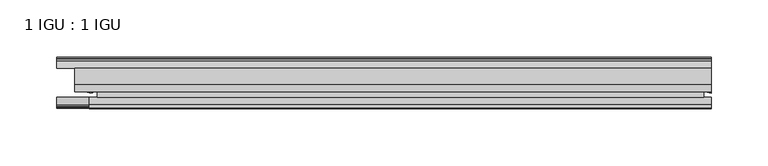
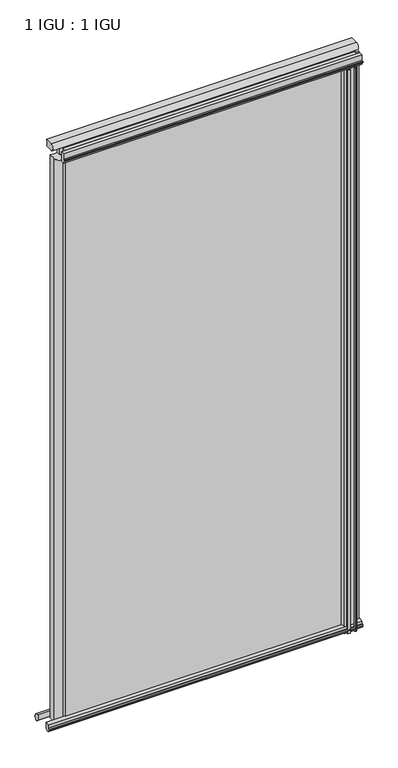
"""IFC4 building model written with IfcOpenShell, lengths in millimetres: plate geometry, 1 IGU : 1 IGU."""

import ifcopenshell
import ifcopenshell.guid

model = None  # the IFC model being written
_history = None  # IfcOwnerHistory: only IFC2X3 demands one
_inside = {}  # id of a spatial element -> (the spatial element, [elements in it])
_under = {}  # id of a project, library or spatial element -> (it, [spatial elements below it])
_declared = {}  # id of a project -> (the project, [libraries it declares])
_typed = {}  # id of a type object -> (the type object, [elements of that type])
_made_of = {}  # id of a material, layer set ... -> (it, [elements and type objects made of it])


def new_model(schema):
    """Start an empty IFC model of exactly this schema.

    Asked for "IFC4X3", IfcOpenShell would pick the latest addendum, in which some entities
    have other attributes; the version numbers below select the first issue.
    IFC2X3 requires an IfcOwnerHistory on every rooted entity: one is made here for all.
    """
    global model, _history
    if schema == "IFC4X3":
        model = ifcopenshell.file(schema_version=(4, 3, 0, 0))
    else:
        model = ifcopenshell.file(schema=schema)
    _inside.clear()
    _under.clear()
    _declared.clear()
    _typed.clear()
    _made_of.clear()
    _history = None
    if model.schema == "IFC2X3":
        org = make("IfcOrganization", Name="unknown")
        user = make(
            "IfcPersonAndOrganization",
            ThePerson=make("IfcPerson", FamilyName="unknown"),
            TheOrganization=org,
        )
        app = make(
            "IfcApplication",
            ApplicationDeveloper=org,
            Version="unknown",
            ApplicationFullName="unknown",
            ApplicationIdentifier="unknown",
        )
        _history = make(
            "IfcOwnerHistory",
            OwningUser=user,
            OwningApplication=app,
            ChangeAction="ADDED",
            CreationDate=0,
        )
    return model


def make(cls, **values):
    """One entity of the class cls with the attributes given. An attribute that is None is left unset."""
    return model.create_entity(
        cls, **{name: value for name, value in values.items() if value is not None}
    )


def rooted(cls, **values):
    """An entity with a GlobalId (a new one), such as an element, a storey or a relation."""
    return make(cls, GlobalId=ifcopenshell.guid.new(), OwnerHistory=_history, **values)


def si_unit(unit_type, name, prefix=None):
    """IfcSIUnit, for example si_unit("LENGTHUNIT", "METRE", prefix="MILLI")."""
    return make("IfcSIUnit", UnitType=unit_type, Prefix=prefix, Name=name)


def assignment(units):
    """IfcUnitAssignment: the units of a project."""
    return None if units is None else make("IfcUnitAssignment", Units=units)


def point(xyz):
    """IfcCartesianPoint."""
    return None if xyz is None else make("IfcCartesianPoint", Coordinates=xyz)


def direction(xyz):
    """IfcDirection."""
    return None if xyz is None else make("IfcDirection", DirectionRatios=xyz)


def frame(location, z_axis=None, x_axis=None):
    """IfcAxis2Placement3D, a coordinate frame: its origin and axes. An axis left out is left unset."""
    return make(
        "IfcAxis2Placement3D",
        Location=point(location),
        Axis=direction(z_axis),
        RefDirection=direction(x_axis),
    )


def frame_2d(location, x_axis=None):
    """IfcAxis2Placement2D, a coordinate frame in the plane: its origin and x axis."""
    return make(
        "IfcAxis2Placement2D", Location=point(location), RefDirection=direction(x_axis)
    )


def origin():
    """The frame at (0, 0, 0) with its axes left unset."""
    return frame((0.0, 0.0, 0.0))


def place(relative_to, where):
    """IfcLocalPlacement: puts the frame where relative to a parent placement (None: the world)."""
    return make(
        "IfcLocalPlacement", PlacementRelTo=relative_to, RelativePlacement=where
    )


def context(
    kind, dimensions, precision=None, world=None, true_north=None, identifier=None
):
    """IfcGeometricRepresentationContext, for example the 3D "Model" context."""
    return make(
        "IfcGeometricRepresentationContext",
        ContextIdentifier=identifier,
        ContextType=kind,
        CoordinateSpaceDimension=dimensions,
        Precision=precision,
        WorldCoordinateSystem=world,
        TrueNorth=true_north,
    )


def project(units=None, contexts=None):
    """IfcProject with its units and contexts."""
    return rooted(
        "IfcProject",
        Name="project",
        RepresentationContexts=contexts,
        UnitsInContext=assignment(units),
    )


def spatial(cls, under=None, at=None, **own):
    """A site, building, storey or space (cls), placed at a placement, below another one or the project."""
    s = rooted(cls, ObjectPlacement=at, **own)
    if under is not None:
        _under.setdefault(under.id(), (under, []))[1].append(s)
    return s


def polyline(points):
    """IfcPolyline through the points."""
    return make("IfcPolyline", Points=[point(p) for p in points])


def circle_curve(where, radius):
    """IfcCircle in the frame where."""
    return make("IfcCircle", Position=where, Radius=radius)


def ellipse_curve(where, semi_axis1, semi_axis2):
    """IfcEllipse in the frame where."""
    return make(
        "IfcEllipse", Position=where, SemiAxis1=semi_axis1, SemiAxis2=semi_axis2
    )


def trimmed(basis, trim1, trim2, sense, master):
    """IfcTrimmedCurve: the piece of a basis curve between two trims."""
    return make(
        "IfcTrimmedCurve",
        BasisCurve=basis,
        Trim1=trim1,
        Trim2=trim2,
        SenseAgreement=sense,
        MasterRepresentation=master,
    )


def segment(curve, same_sense, transition):
    """IfcCompositeCurveSegment."""
    return make(
        "IfcCompositeCurveSegment",
        Transition=transition,
        SameSense=same_sense,
        ParentCurve=curve,
    )


def composite_curve(segments, self_intersect=None):
    """IfcCompositeCurve: segments joined end to end."""
    return make("IfcCompositeCurve", Segments=segments, SelfIntersect=self_intersect)


def outline(outer, holes=None, kind="AREA"):
    """IfcArbitraryClosedProfileDef: a profile drawn as a closed curve; with holes, ...WithVoids."""
    if holes is None:
        return make("IfcArbitraryClosedProfileDef", ProfileType=kind, OuterCurve=outer)
    return make(
        "IfcArbitraryProfileDefWithVoids",
        ProfileType=kind,
        OuterCurve=outer,
        InnerCurves=holes,
    )


def extrude(swept, where, along, depth):
    """IfcExtrudedAreaSolid: the profile swept, set in the frame where, extruded along a direction by depth."""
    return make(
        "IfcExtrudedAreaSolid",
        SweptArea=swept,
        Position=where,
        ExtrudedDirection=direction(along),
        Depth=depth,
    )


def shape(context_of_items, identifier, shape_type, items):
    """IfcShapeRepresentation: the items that make up one representation, for example the "Body"."""
    return make(
        "IfcShapeRepresentation",
        ContextOfItems=context_of_items,
        RepresentationIdentifier=identifier,
        RepresentationType=shape_type,
        Items=items,
    )


def source(mapping_origin, context_of_items, identifier, shape_type, items):
    """IfcRepresentationMap: a shape defined once, which mapped items show again and again."""
    return make(
        "IfcRepresentationMap",
        MappingOrigin=mapping_origin,
        MappedRepresentation=shape(context_of_items, identifier, shape_type, items),
    )


def transform(
    local_origin,
    x_axis=None,
    y_axis=None,
    z_axis=None,
    scale=None,
    scale2=None,
    scale3=None,
    uniform=True,
):
    """IfcCartesianTransformationOperator3D, or its non-uniform kind. x_axis, y_axis, z_axis: its Axis1, 2, 3."""
    if uniform:
        return make(
            "IfcCartesianTransformationOperator3D",
            Axis1=direction(x_axis),
            Axis2=direction(y_axis),
            LocalOrigin=point(local_origin),
            Scale=scale,
            Axis3=direction(z_axis),
        )
    return make(
        "IfcCartesianTransformationOperator3DnonUniform",
        Axis1=direction(x_axis),
        Axis2=direction(y_axis),
        LocalOrigin=point(local_origin),
        Scale=scale,
        Axis3=direction(z_axis),
        Scale2=scale2,
        Scale3=scale3,
    )


def mapped(mapping_source, mapping_target):
    """IfcMappedItem: shows the shape of a source again, moved by a transform."""
    return make(
        "IfcMappedItem", MappingSource=mapping_source, MappingTarget=mapping_target
    )


def made_of(thing, what):
    """Note that an element or type object is made of a material, layer set ...; save() writes the relation."""
    if what is not None:
        _made_of.setdefault(what.id(), (what, []))[1].append(thing)
    return thing


def element(
    cls,
    number,
    at=None,
    inside=None,
    cuts=None,
    type_object=None,
    material=None,
    context=None,
    identifier="Body",
    shape_type=None,
    held_by="IfcProductDefinitionShape",
    body=None,
    shapes=None,
    **own,
):
    """One element of the class cls, such as IfcWall. Its Tag is "e" and its number.

    at: its placement. inside: the storey or other place that contains it. cuts: it is an
    opening in that element (IfcRelVoidsElement). A single representation is given by context,
    identifier, shape_type and body (its items); several are given by shapes. held_by: the class
    of the entity that holds the representations. save() writes the other relations.
    """
    e = rooted(cls, Tag="e%d" % number, ObjectPlacement=at, **own)
    if body is not None:
        shapes = [shape(context, identifier, shape_type, body)]
    if shapes is not None:
        e.Representation = make(held_by, Representations=shapes)
    if inside is not None:
        _inside.setdefault(inside.id(), (inside, []))[1].append(e)
    if cuts is not None:
        rooted(
            "IfcRelVoidsElement", RelatingBuildingElement=cuts, RelatedOpeningElement=e
        )
    if type_object is not None:
        _typed.setdefault(type_object.id(), (type_object, []))[1].append(e)
    return made_of(e, material)


def aggregate(whole, parts):
    """IfcRelAggregates: a whole, such as a stair, and the parts it consists of."""
    return rooted("IfcRelAggregates", RelatingObject=whole, RelatedObjects=parts)


def save(model, path):
    """Write the relations noted so far, then the file.

    IfcRelAggregates (storeys below a building ...), IfcRelContainedInSpatialStructure (elements
    in a storey), IfcRelDefinesByType, IfcRelAssociatesMaterial and IfcRelDeclares: one each for
    every whole, place, type object, material and project.
    """
    for whole, parts in _under.values():
        aggregate(whole, parts)
    for where, things in _inside.values():
        rooted(
            "IfcRelContainedInSpatialStructure",
            RelatedElements=things,
            RelatingStructure=where,
        )
    for kind, things in _typed.values():
        rooted("IfcRelDefinesByType", RelatedObjects=things, RelatingType=kind)
    for what, things in _made_of.values():
        rooted("IfcRelAssociatesMaterial", RelatedObjects=things, RelatingMaterial=what)
    for by, libraries in _declared.values():
        rooted("IfcRelDeclares", RelatingContext=by, RelatedDefinitions=libraries)
    model.write(path)


def plane_surface(at):
    """IfcPlane: the flat surface through the origin of the frame at, square to its z axis."""
    return make("IfcPlane", Position=at)


def cylinder_surface(at, radius):
    """IfcCylindricalSurface: all points at the distance radius from the z axis of the frame at."""
    return make("IfcCylindricalSurface", Position=at, Radius=radius)


def revolved_surface(curve, axis_point, axis_direction):
    """IfcSurfaceOfRevolution: the curve turned about the line through axis_point along axis_direction."""
    return make(
        "IfcSurfaceOfRevolution",
        SweptCurve=make("IfcArbitraryOpenProfileDef", ProfileType="CURVE", Curve=curve),
        AxisPosition=make("IfcAxis1Placement", Location=point(axis_point), Axis=direction(axis_direction)),
    )


def extruded_surface(curve, direction_of_extrusion, depth):
    """IfcSurfaceOfLinearExtrusion: the curve pushed along a direction by depth."""
    return make(
        "IfcSurfaceOfLinearExtrusion",
        SweptCurve=make("IfcArbitraryOpenProfileDef", ProfileType="CURVE", Curve=curve),
        ExtrudedDirection=direction(direction_of_extrusion),
        Depth=depth,
    )


def advanced_brep(points, edges, surfaces, faces):
    """IfcAdvancedBrep: a solid bounded by faces that lie on surfaces and meet in shared edges.

    An edge is (start, end): straight between two places in points (the first is 0);
    or (start, end, curve); or (start, end, curve, False) where it runs against its curve.
    A face is (place in surfaces, loops), or (place, loops, False) where it looks against
    its surface's normal. A loop lists edges by number (the first is 1), with a minus sign
    where the edge is run from its end to its start. The first loop is the outer one.
    """
    corners = [point(p) for p in points]
    vertices = [make("IfcVertexPoint", VertexGeometry=c) for c in corners]
    made = []
    for start, end, *more in edges:
        made.append(
            make(
                "IfcEdgeCurve",
                EdgeStart=vertices[start],
                EdgeEnd=vertices[end],
                EdgeGeometry=more[0] if more else make("IfcPolyline", Points=[corners[start], corners[end]]),
                SameSense=more[1] if len(more) > 1 else True,
            )
        )
    hull = []
    for where, loops, *sense in faces:
        bounds = []
        for j, loop in enumerate(loops):
            ring = [make("IfcOrientedEdge", EdgeElement=made[abs(k) - 1], Orientation=k > 0) for k in loop]
            bounds.append(
                make(
                    "IfcFaceOuterBound" if j == 0 else "IfcFaceBound",
                    Bound=make("IfcEdgeLoop", EdgeList=ring),
                    Orientation=True,
                )
            )
        hull.append(make("IfcAdvancedFace", Bounds=bounds, FaceSurface=surfaces[where], SameSense=sense[0] if sense else True))
    return make("IfcAdvancedBrep", Outer=make("IfcClosedShell", CfsFaces=hull))


def plate_1_igu_1_igu_a21c7011(model_context):
    return source(origin(), model_context, "Body", "SolidModel", [
        extrude(outline(polyline([(-218.0669374, -38.6468937), (314.3091249, -38.6468937), (314.3091249, -44.9460938), (-218.0669374, -44.9460938), (-218.0669374, -38.6468937)])), frame((0.0, 0.0, -12.7), z_axis=(0.0, 0.0, 1.0), x_axis=(1.0, 0.0, 0.0)), (0.0, 0.0, 1.0), 1106.5764186),
        extrude(outline(polyline([(-218.0669374, -19.5460937), (314.3091249, -19.5460937), (314.3091249, -25.8960938), (-218.0669374, -25.8960938), (-218.0669374, -19.5460937)])), frame((0.0, 0.0, -12.7), z_axis=(0.0, 0.0, 1.0), x_axis=(1.0, 0.0, 0.0)), (0.0, 0.0, 1.0), 1106.5764186),
        advanced_brep(
        [(-230.7979229, -20.0381352, -12.4587), (-218.0979229, -19.5460938, -12.4587), (-218.0979229, -27.1259412, -12.4587), (-230.7979229, -32.2460937, -12.4587), (-230.7979229, -20.0381352, 1074.8264186), (-230.7979229, -32.2460937, 1074.8264186), (-218.0979229, -27.1259412, 1074.8264186), (-218.0979229, -19.5460938, 1074.8264186)],
        [
            (0, 1, circle_curve(frame((-225.0811961, -3.4468047, -12.4587), z_axis=(0.0, 0.0, 1.0), x_axis=(1.0, 0.0, 0.0)), 17.5485957)),
            (1, 2),
            (2, 3, ellipse_curve(frame((-223.8617543, -32.2460937, -12.4587), z_axis=(0.0, 0.0, -1.0), x_axis=(0.0, -1.0, 0.0)), 9.2039536, 6.9361686)),
            (3, 0),
            (4, 5),
            (5, 6, ellipse_curve(frame((-223.8617543, -32.2460937, 1074.8264186), z_axis=(0.0, 0.0, 1.0), x_axis=(0.0, -1.0, 0.0)), 9.2039536, 6.9361686)),
            (6, 7),
            (7, 4, circle_curve(frame((-225.0811961, -3.4468047, 1074.8264186), z_axis=(0.0, 0.0, -1.0), x_axis=(1.0, 0.0, 0.0)), 17.5485957)),
            (0, 4),
            (7, 1),
            (6, 2),
            (5, 3),
        ],
        [
            plane_surface(frame((-253.1903749, -13.1960937, -12.4587), z_axis=(0.0, 0.0, -1.0), x_axis=(0.0, 1.0, 0.0))),
            plane_surface(frame((-253.1903749, -13.1960937, 1074.8264186), z_axis=(0.0, 0.0, 1.0), x_axis=(0.0, 1.0, 0.0))),
            revolved_surface(polyline([(-207.5326004, -3.4468047, 1074.8264186), (-207.5326004, -3.4468047, -12.4587)]), (-225.0811961, -3.4468047, -12.4587), (0.0, 0.0, 1.0)),
            plane_surface(frame((-218.0979229, -19.5460938, -12.4587), z_axis=(1.0, 0.0, 0.0), x_axis=(0.0, 0.0, 1.0))),
            extruded_surface(trimmed(ellipse_curve(frame((-223.8617543, -32.2460937, 1074.8264186), z_axis=(0.0, 0.0, -1.0), x_axis=(0.0, -1.0, 0.0)), 9.2039536, 6.9361686), [point((-218.0979229, -27.1259412, 1074.8264186))], [point((-230.7979229, -32.2460937, 1074.8264186))], True, "CARTESIAN"), (0.0, 0.0, -1087.2851185999998), 1087.2851185999998),
            plane_surface(frame((-230.7979229, -32.2460937, -12.4587), z_axis=(-1.0, 0.0, 0.0), x_axis=(0.0, 0.0, 1.0))),
        ],
        [
            (0, [[1, 2, 3, 4]]),
            (1, [[5, 6, 7, 8]]),
            (2, [[-1, 9, -8, 10]]),
            (3, [[-2, -10, -7, 11]]),
            (4, [[-3, -11, -6, 12]]),
            (5, [[-4, -12, -5, -9]]),
        ],
    ),
        advanced_brep(
        [(320.6591249, -21.1709383, -12.4587), (320.6591249, -41.5384061, -12.4587), (313.1367878, -32.2460938, -12.4587), (314.3091249, -25.8452938, -12.4587), (314.3091249, -19.5460938, -12.4587), (320.6591249, -21.1709383, 1093.8764186), (314.3091249, -19.5460938, 1093.8764186), (314.3091249, -25.8452938, 1093.8764186), (313.1367878, -32.2460938, 1093.8764186), (320.6591249, -41.5384061, 1093.8764186)],
        [
            (0, 1),
            (1, 2, ellipse_curve(frame((320.6591249, -32.2460938, -12.4587), z_axis=(0.0, 0.0, -1.0), x_axis=(0.0, -1.0, 0.0)), 9.2923124, 7.5223371)),
            (2, 3, circle_curve(frame((331.1967013, -32.2460938, -12.4587), z_axis=(0.0, 0.0, -1.0), x_axis=(1.0, 0.0, 0.0)), 18.0599135)),
            (3, 4),
            (4, 0, circle_curve(frame((320.6591249, -7.950406, -12.4587), z_axis=(0.0, 0.0, 1.0), x_axis=(1.0, 0.0, 0.0)), 13.2205323)),
            (5, 6, circle_curve(frame((320.6591249, -7.950406, 1093.8764186), z_axis=(0.0, 0.0, -1.0), x_axis=(1.0, 0.0, 0.0)), 13.2205323)),
            (6, 7),
            (7, 8, circle_curve(frame((331.1967013, -32.2460938, 1093.8764186), z_axis=(0.0, 0.0, 1.0), x_axis=(1.0, 0.0, 0.0)), 18.0599135)),
            (8, 9, ellipse_curve(frame((320.6591249, -32.2460938, 1093.8764186), z_axis=(0.0, 0.0, 1.0), x_axis=(0.0, -1.0, 0.0)), 9.2923124, 7.5223371)),
            (9, 5),
            (1, 9),
            (8, 2),
            (7, 3),
            (6, 4),
            (5, 0),
        ],
        [
            plane_surface(frame((320.6591249, -13.1960938, -12.4587), z_axis=(0.0, 0.0, -1.0), x_axis=(0.0, 1.0, 0.0))),
            plane_surface(frame((320.6591249, -13.1960938, 1093.8764186), z_axis=(0.0, 0.0, 1.0), x_axis=(0.0, 1.0, 0.0))),
            extruded_surface(trimmed(ellipse_curve(frame((320.6591249, -32.2460938, 1093.8764186), z_axis=(0.0, 0.0, -1.0), x_axis=(0.0, -1.0, 0.0)), 9.2923124, 7.5223371), [point((320.6591249, -41.5384061, 1093.8764186))], [point((313.1367878, -32.2460938, 1093.8764186))], True, "CARTESIAN"), (0.0, 0.0, -1106.3351186), 1106.3351186),
            cylinder_surface(frame((331.1967013, -32.2460938, -12.4587), z_axis=(0.0, 0.0, -1.0), x_axis=(1.0, 0.0, 0.0)), 18.0599135),
            plane_surface(frame((314.3091249, -25.8452938, -12.4587), z_axis=(-1.0, 0.0, 0.0), x_axis=(0.0, 0.0, 1.0))),
            revolved_surface(polyline([(333.8796572, -7.950406, 1093.8764186), (333.8796572, -7.950406, -12.4587)]), (320.6591249, -7.950406, -12.4587), (0.0, 0.0, 1.0)),
            plane_surface(frame((320.6591249, -21.1709383, -12.4587), z_axis=(1.0, 0.0, 0.0), x_axis=(0.0, 0.0, 1.0))),
        ],
        [
            (0, [[1, 2, 3, 4, 5]]),
            (1, [[6, 7, 8, 9, 10]]),
            (2, [[-2, 11, -9, 12]]),
            (3, [[-3, -12, -8, 13]]),
            (4, [[-4, -13, -7, 14]]),
            (5, [[-5, -14, -6, 15]]),
            (6, [[-1, -15, -10, -11]]),
        ],
    ),
        extrude(outline(polyline([(-44.9460937, 1.7177181), (-44.9460937, -9.1036578), (-48.3496937, -11.938), (-51.2960937, -11.938), (-51.2960937, -7.493), (-53.6762907, -7.112), (-53.2163575, -8.5275291), (-54.0175717, -8.5275291), (-54.7250937, -6.35), (-54.0175717, -4.1724709), (-53.2163575, -4.1724709), (-53.6762907, -5.588), (-51.2960937, -5.207), (-51.2960937, 0.0), (-44.9460937, 1.7177181)])), frame((-253.1903749, 0.0, 0.0), z_axis=(1.0, 0.0, 0.0), x_axis=(0.0, 1.0, 0.0)), (0.0, 0.0, 1.0), 573.8494998),
        extrude(outline(polyline([(-13.1960937, -12.4587), (-16.1424937, -12.4587), (-19.5460937, -9.6243578), (-19.5460937, 1.1970181), (-13.1960937, -0.5207), (-13.1960937, -5.7277), (-10.8158968, -6.1087), (-11.27583, -4.6931709), (-10.4746158, -4.6931709), (-9.7670937, -6.8707), (-10.4746158, -9.0482291), (-11.27583, -9.0482291), (-10.8158968, -7.6327), (-13.1960937, -8.0137), (-13.1960937, -12.4587)])), frame((-253.1903749, 0.0, 0.0), z_axis=(1.0, 0.0, 0.0), x_axis=(0.0, 1.0, 0.0)), (0.0, 0.0, 1.0), 573.8494998),
        extrude(outline(composite_curve([segment(polyline([(-44.9380025, 1074.7385163), (-51.2960937, 1074.7385163), (-51.2960937, 1079.5645163), (-54.1955564, 1079.5645163), (-54.8194621, 1080.5418087)]), True, "CONTINUOUS"), segment(trimmed(circle_curve(frame_2d((-53.9630937, 1081.0885163)), 1.016), [point((-54.8194621, 1080.5418087))], [point((-54.8194621, 1081.6352239))], False, "CARTESIAN"), True, "CONTINUOUS"), segment(polyline([(-54.8194621, 1081.6352239), (-54.1955564, 1082.6125163), (-51.2878033, 1082.6125163), (-51.2916866, 1093.7771998), (-44.9380025, 1093.7771998), (-44.9380025, 1074.7385163)]), True, "CONTINUOUS")], self_intersect=False)), frame((-224.8592313, 0.0, 0.0), z_axis=(1.0, 0.0, 0.0), x_axis=(0.0, 1.0, 0.0)), (0.0, 0.0, 1.0), 545.5183562),
        extrude(outline(composite_curve([segment(polyline([(311.1341251, -44.9460938), (311.1341251, -51.2960938), (309.4831251, -51.2960938), (309.4831251, -52.9470938), (310.5607558, -52.9470938)]), True, "CONTINUOUS"), segment(trimmed(circle_curve(frame_2d((309.4831251, -52.9470938)), 1.0776307), [point((310.5607558, -52.9470938))], [point((310.2451251, -53.7090938))], False, "CARTESIAN"), True, "CONTINUOUS"), segment(polyline([(310.2451251, -53.7090938), (308.5058327, -54.8194621)]), True, "CONTINUOUS"), segment(trimmed(circle_curve(frame_2d((307.9591251, -53.9630938)), 1.016), [point((308.5058327, -54.8194621))], [point((307.4124175, -54.8194621))], False, "CARTESIAN"), True, "CONTINUOUS"), segment(polyline([(307.4124175, -54.8194621), (305.6731251, -53.7090938)]), True, "CONTINUOUS"), segment(trimmed(circle_curve(frame_2d((306.4351251, -52.9470938)), 1.0776307), [point((305.6731251, -53.7090938))], [point((305.3574943, -52.9470938))], False, "CARTESIAN"), True, "CONTINUOUS"), segment(polyline([(305.3574943, -52.9470938), (306.4351251, -52.9470938), (306.4351251, -51.2960938), (297.3673251, -51.2960938)]), True, "CONTINUOUS"), segment(trimmed(circle_curve(frame_2d((297.3673251, -51.7532938)), 0.4572), [point((297.3673251, -51.2960938))], [point((297.0285072, -52.0602698))], True, "CARTESIAN"), True, "CONTINUOUS"), segment(trimmed(circle_curve(frame_2d((295.2591251, -53.663367)), 2.3876), [point((297.0285072, -52.0602698))], [point((297.3297681, -54.8520938))], False, "CARTESIAN"), True, "CONTINUOUS"), segment(polyline([(297.3297681, -54.8520938), (293.1884821, -54.8520938)]), True, "CONTINUOUS"), segment(trimmed(circle_curve(frame_2d((295.2591251, -53.663367)), 2.3876), [point((293.1884821, -54.8520938))], [point((293.4897429, -52.0602698))], False, "CARTESIAN"), True, "CONTINUOUS"), segment(trimmed(circle_curve(frame_2d((293.1509251, -51.7532938)), 0.4572), [point((293.4897429, -52.0602698))], [point((293.1509251, -51.2960938))], True, "CARTESIAN"), True, "CONTINUOUS"), segment(polyline([(293.1509251, -51.2960938), (288.9091251, -51.2960938)]), True, "CONTINUOUS"), segment(trimmed(circle_curve(frame_2d((279.8931936, -51.9750196)), 9.0414579), [point((288.9091251, -51.2960938))], [point((285.5802105, -44.9460938))], True, "CARTESIAN"), True, "CONTINUOUS"), segment(polyline([(285.5802105, -44.9460938), (311.1341251, -44.9460938)]), True, "CONTINUOUS")], self_intersect=False)), frame((0.0, 0.0, -12.7), z_axis=(0.0, 0.0, 1.0), x_axis=(1.0, 0.0, 0.0)), (0.0, 0.0, 1.0), 1087.5264186),
        extrude(outline(composite_curve([segment(trimmed(circle_curve(frame_2d((-9.2245666, 1100.1899978)), 12.1106873), [point((-19.5460937, 1106.525203))], [point((-19.5460937, 1093.8547926))], True, "CARTESIAN"), True, "CONTINUOUS"), segment(polyline([(-19.5460937, 1093.8547926), (-33.8757421, 1093.8547926)]), True, "CONTINUOUS"), segment(trimmed(circle_curve(frame_2d((-33.8757421, 1100.1899978)), 6.3352052), [point((-33.8757421, 1093.8547926))], [point((-33.8757421, 1106.525203))], False, "CARTESIAN"), True, "CONTINUOUS"), segment(polyline([(-33.8757421, 1106.525203), (-19.5460937, 1106.525203)]), True, "CONTINUOUS")], self_intersect=False)), frame((-237.6130312, 0.0, 0.0), z_axis=(1.0, 0.0, 0.0), x_axis=(0.0, 1.0, 0.0)), (0.0, 0.0, 1.0), 558.2721561),
    ])


if __name__ == "__main__":
    model = new_model("IFC4")
    model_context = context("Model", 3, world=origin())
    ifc_project = project(units=[si_unit("LENGTHUNIT", "METRE", prefix="MILLI")], contexts=[model_context])
    site = spatial("IfcSite", under=ifc_project)
    building = spatial("IfcBuilding", under=site)
    placement = place(None, origin())
    plate_1_igu_1_igu_shape = plate_1_igu_1_igu_a21c7011(model_context)
    element("IfcPlate", 1, ObjectType="1 IGU : 1 IGU", at=placement, inside=building, context=model_context, shape_type="MappedRepresentation", body=[
        mapped(plate_1_igu_1_igu_shape, transform((0.0, 0.0, 0.0), x_axis=(1.0, 0.0, 0.0), y_axis=(0.0, 1.0, 0.0), z_axis=(0.0, 0.0, 1.0))),
    ])
    save(model, "model.ifc")
